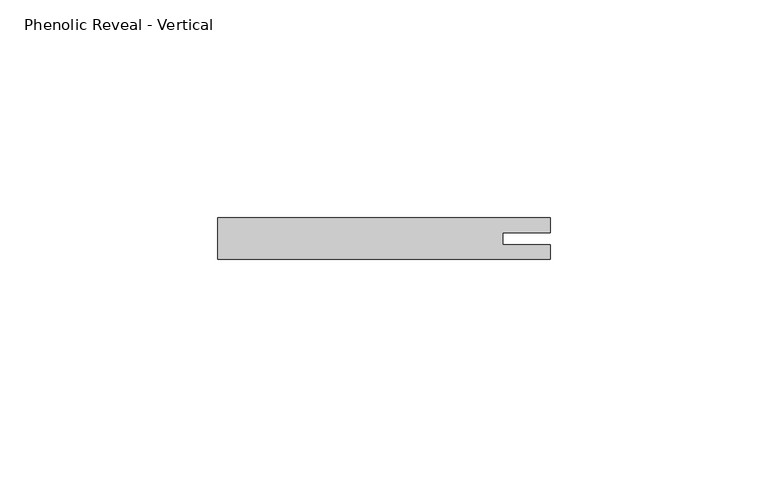
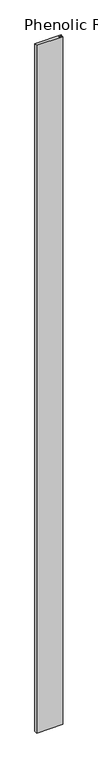
"""IFC4 building model written with IfcOpenShell, lengths in millimetres: proxy geometry, Phenolic Reveal - Vertical."""

from ifc_helpers import new_model, si_unit, origin, origin_with_axes, place, context, project, spatial, polyline, outline, extrude, source, transform, mapped, element, save


def phenolic_reveal_vertical_fc2d12a0(model_context):
    return source(origin(), model_context, "Body", "SweptSolid", [
        extrude(outline(polyline([(76.2, 9.525), (76.2, 6.0765851), (65.3591015, 6.0765851), (65.3591015, 3.3757545), (76.2, 3.3757545), (76.2, 0.0), (0.0, 0.0), (0.0, 9.525), (76.2, 9.525)])), origin_with_axes(), (0.0, 0.0, 1.0), 2119.3125),
    ])


if __name__ == "__main__":
    model = new_model("IFC4")
    model_context = context("Model", 3, world=origin())
    ifc_project = project(units=[si_unit("LENGTHUNIT", "METRE", prefix="MILLI")], contexts=[model_context])
    site = spatial("IfcSite", under=ifc_project)
    building = spatial("IfcBuilding", under=site)
    placement = place(None, origin())
    phenolic_reveal_vertical_shape = phenolic_reveal_vertical_fc2d12a0(model_context)
    element("IfcBuildingElementProxy", 1, Name="Phenolic Reveal - Vertical", ObjectType="Phenolic Reveal - Vertical", at=placement, inside=building, context=model_context, shape_type="MappedRepresentation", body=[
        mapped(phenolic_reveal_vertical_shape, transform((0.0, 0.0, 0.0), x_axis=(1.0, 0.0, 0.0), y_axis=(0.0, 1.0, 0.0), z_axis=(0.0, 0.0, 1.0))),
    ])
    save(model, "model.ifc")
